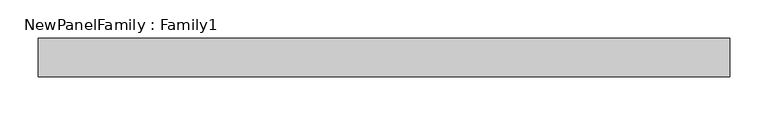
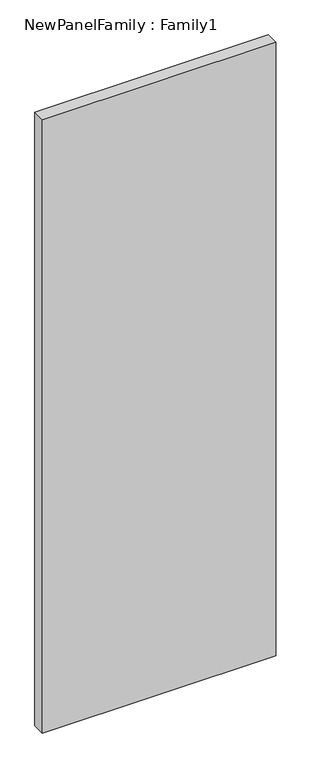
"""IFC4 building model written with IfcOpenShell, lengths in millimetres: proxy geometry, NewPanelFamily : Family1."""

from ifc_helpers import new_model, si_unit, origin, origin_with_axes, place, context, project, spatial, polyline, outline, extrude, source, transform, mapped, element, save


def newpanelfamily_family1_17c3e16a(model_context):
    return source(origin(), model_context, "Body", "SweptSolid", [
        extrude(outline(polyline([(450.0, 25.0), (450.0, -25.0), (-450.0, -25.0), (-450.0, 25.0), (450.0, 25.0)])), origin_with_axes(), (0.0, 0.0, 1.0), 2500.0),
    ])


if __name__ == "__main__":
    model = new_model("IFC4")
    model_context = context("Model", 3, world=origin())
    ifc_project = project(units=[si_unit("LENGTHUNIT", "METRE", prefix="MILLI")], contexts=[model_context])
    site = spatial("IfcSite", under=ifc_project)
    building = spatial("IfcBuilding", under=site)
    placement = place(None, origin())
    newpanelfamily_family1_shape = newpanelfamily_family1_17c3e16a(model_context)
    element("IfcBuildingElementProxy", 1, Name="NewPanelFamily : Family1", ObjectType="NewPanelFamily : Family1", at=placement, inside=building, context=model_context, shape_type="MappedRepresentation", body=[
        mapped(newpanelfamily_family1_shape, transform((0.0, 0.0, 0.0), x_axis=(1.0, 0.0, 0.0), y_axis=(0.0, 1.0, 0.0), z_axis=(0.0, 0.0, 1.0))),
    ])
    save(model, "model.ifc")
